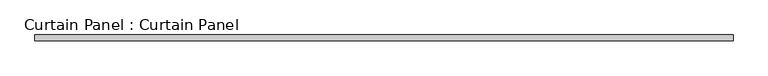
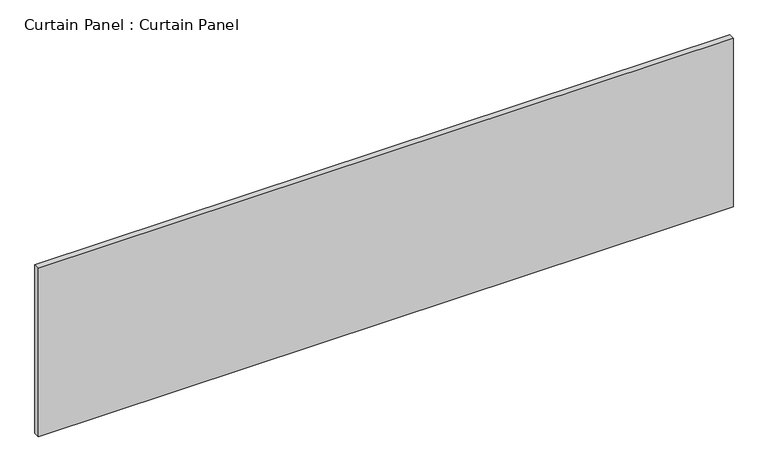
"""IFC4 building model written with IfcOpenShell, lengths in millimetres: plate geometry, Curtain Panel : Curtain Panel."""

from ifc_helpers import new_model, si_unit, frame, origin, place, context, project, spatial, polyline, outline, extrude, source, transform, mapped, element, save


def curtain_panel_curtain_panel_aac7fe2c(model_context):
    return source(origin(), model_context, "Body", "SweptSolid", [
        extrude(outline(polyline([(-123752.3555895, -9130.4431787), (-126765.4305895, -9130.4431787), (-126765.4305895, -9105.0431787), (-123752.3555895, -9105.0431787), (-123752.3555895, -9130.4431787)])), frame((0.0, 0.0, 3117.453125), z_axis=(0.0, 0.0, 1.0), x_axis=(1.0, 0.0, 0.0)), (0.0, 0.0, 1.0), 772.2850477),
    ])


if __name__ == "__main__":
    model = new_model("IFC4")
    model_context = context("Model", 3, world=origin())
    ifc_project = project(units=[si_unit("LENGTHUNIT", "METRE", prefix="MILLI")], contexts=[model_context])
    site = spatial("IfcSite", under=ifc_project)
    building = spatial("IfcBuilding", under=site)
    placement = place(None, origin())
    curtain_panel_curtain_panel_shape = curtain_panel_curtain_panel_aac7fe2c(model_context)
    element("IfcPlate", 1, ObjectType="Curtain Panel : Curtain Panel", at=placement, inside=building, context=model_context, shape_type="MappedRepresentation", body=[
        mapped(curtain_panel_curtain_panel_shape, transform((0.0, 0.0, 0.0), x_axis=(1.0, 0.0, 0.0), y_axis=(0.0, 1.0, 0.0), z_axis=(0.0, 0.0, 1.0))),
    ])
    save(model, "model.ifc")
